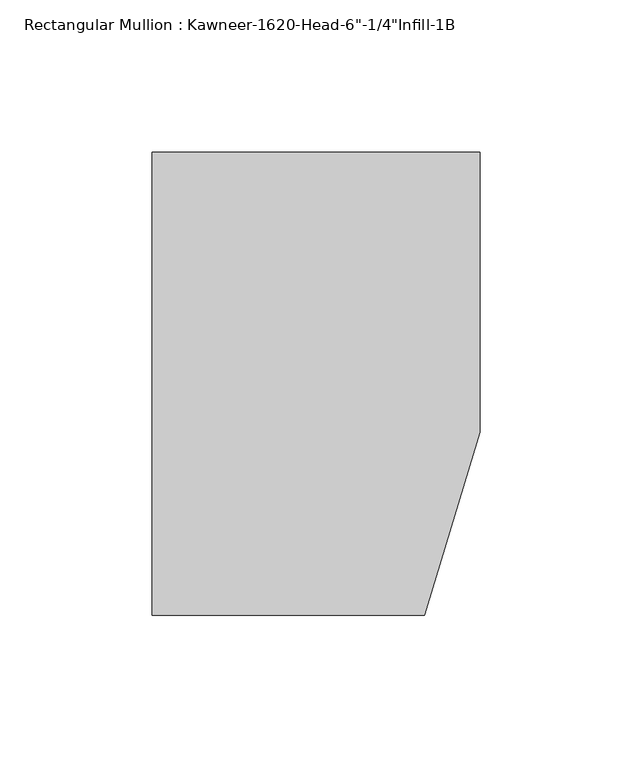
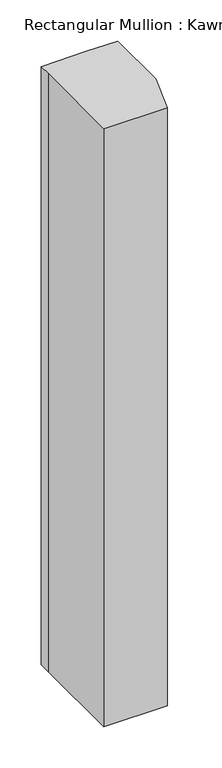
"""IFC4 building model written with IfcOpenShell, lengths in millimetres: member geometry."""

from ifc_helpers import new_model, si_unit, frame, origin, place, context, project, spatial, polyline, outline, extrude, source, transform, mapped, element, save


def member_34848a51(model_context):
    return source(origin(), model_context, "Body", "SweptSolid", [
        extrude(outline(polyline([(-107.95, 10.3845466), (-107.95, 28.575), (-44.1519366, 28.575), (0.0, 28.575), (0.0, -63.5), (-18.3538271, -123.825), (-107.95, -123.825), (-107.95, 10.3845466)])), frame((0.0, 0.0, -889.0), z_axis=(0.0, 0.0, 1.0), x_axis=(1.0, 0.0, 0.0)), (0.0, 0.0, 1.0), 889.0),
    ])


if __name__ == "__main__":
    model = new_model("IFC4")
    model_context = context("Model", 3, world=origin())
    ifc_project = project(units=[si_unit("LENGTHUNIT", "METRE", prefix="MILLI")], contexts=[model_context])
    site = spatial("IfcSite", under=ifc_project)
    building = spatial("IfcBuilding", under=site)
    placement = place(None, origin())
    member_shape = member_34848a51(model_context)
    element("IfcMember", 1, ObjectType="Rectangular Mullion : Kawneer-1620-Head-6\"-1/4\"Infill-1B", at=placement, inside=building, context=model_context, shape_type="MappedRepresentation", body=[
        mapped(member_shape, transform((0.0, 0.0, 0.0), x_axis=(1.0, 0.0, 0.0), y_axis=(0.0, 1.0, 0.0), z_axis=(0.0, 0.0, 1.0))),
    ])
    save(model, "model.ifc")
